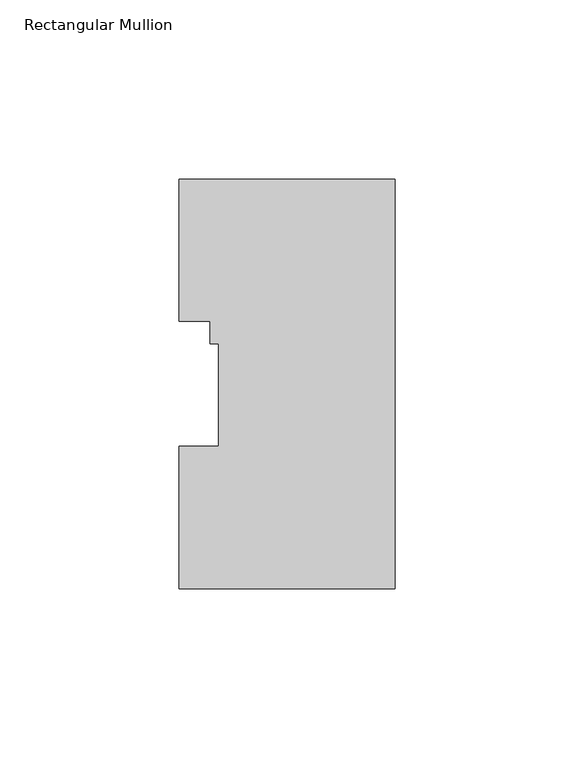
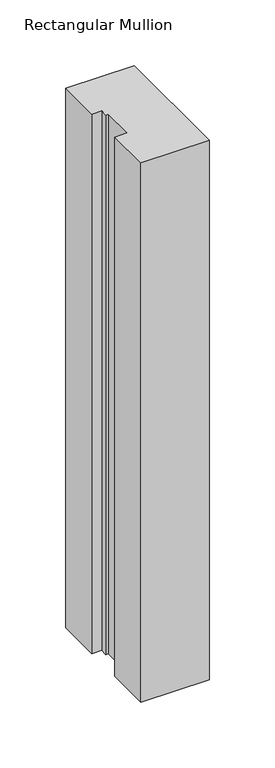
"""IFC4 building model written with IfcOpenShell, lengths in millimetres: member geometry, Rectangular Mullion."""

from ifc_helpers import new_model, si_unit, frame, origin, place, context, project, spatial, polyline, outline, extrude, source, transform, mapped, element, save


def rectangular_mullion_ec1d19a2(model_context):
    return source(origin(), model_context, "Body", "SweptSolid", [
        extrude(outline(polyline([(-60.325, -0.03175), (-60.325, 39.64305), (-49.2125, 39.64305), (-49.2125, 68.24345), (-51.5874, 68.24345), (-51.5874, 74.59345), (-60.325, 74.59345), (-60.325, 114.26825), (0.0, 114.26825), (0.0, -0.03175), (-60.325, -0.03175)])), frame((0.0, 0.0, -501.65), z_axis=(0.0, 0.0, 1.0), x_axis=(1.0, 0.0, 0.0)), (0.0, 0.0, 1.0), 501.65),
    ])


if __name__ == "__main__":
    model = new_model("IFC4")
    model_context = context("Model", 3, world=origin())
    ifc_project = project(units=[si_unit("LENGTHUNIT", "METRE", prefix="MILLI")], contexts=[model_context])
    site = spatial("IfcSite", under=ifc_project)
    building = spatial("IfcBuilding", under=site)
    placement = place(None, origin())
    rectangular_mullion_shape = rectangular_mullion_ec1d19a2(model_context)
    element("IfcMember", 1, ObjectType="Rectangular Mullion", at=placement, inside=building, context=model_context, shape_type="MappedRepresentation", body=[
        mapped(rectangular_mullion_shape, transform((0.0, 0.0, 0.0), x_axis=(1.0, 0.0, 0.0), y_axis=(0.0, 1.0, 0.0), z_axis=(0.0, 0.0, 1.0))),
    ])
    save(model, "model.ifc")
